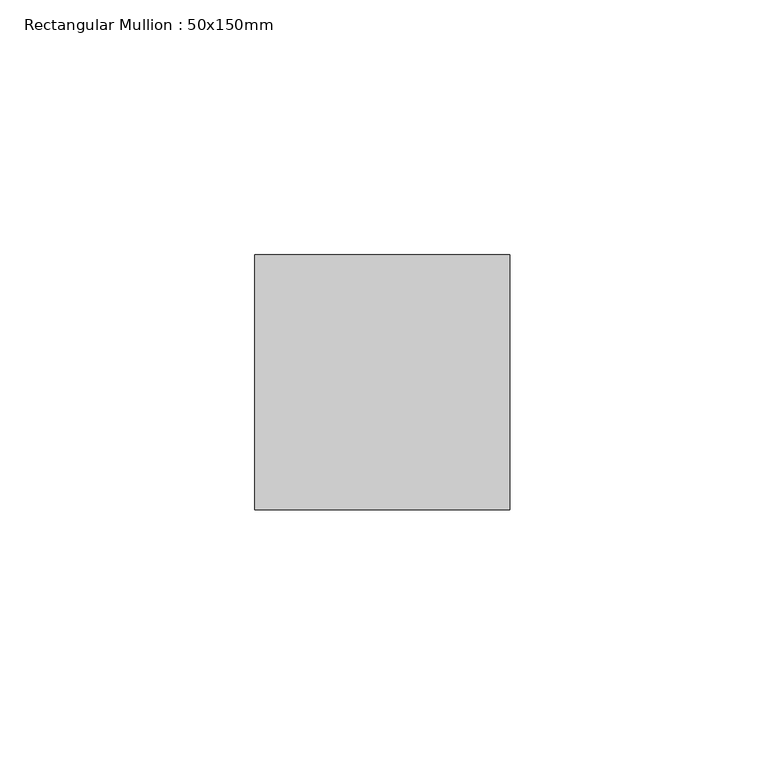
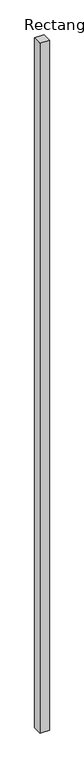
"""IFC4 building model written with IfcOpenShell, lengths in millimetres: member geometry, Rectangular Mullion : 50x150mm."""

from ifc_helpers import new_model, si_unit, frame, origin, place, context, project, spatial, polyline, outline, extrude, source, transform, mapped, element, save


def rectangular_mullion_50x150mm_f4ae37c2(model_context):
    return source(origin(), model_context, "Body", "SweptSolid", [
        extrude(outline(polyline([(0.0, 25.0), (0.0, -25.0), (-50.0, -25.0), (-50.0, 25.0), (0.0, 25.0)])), frame((0.0, 0.0, -3920.0), z_axis=(0.0, 0.0, 1.0), x_axis=(1.0, 0.0, 0.0)), (0.0, 0.0, 1.0), 3920.0),
    ])


if __name__ == "__main__":
    model = new_model("IFC4")
    model_context = context("Model", 3, world=origin())
    ifc_project = project(units=[si_unit("LENGTHUNIT", "METRE", prefix="MILLI")], contexts=[model_context])
    site = spatial("IfcSite", under=ifc_project)
    building = spatial("IfcBuilding", under=site)
    placement = place(None, origin())
    rectangular_mullion_50x150mm_shape = rectangular_mullion_50x150mm_f4ae37c2(model_context)
    element("IfcMember", 1, ObjectType="Rectangular Mullion : 50x150mm", at=placement, inside=building, context=model_context, shape_type="MappedRepresentation", body=[
        mapped(rectangular_mullion_50x150mm_shape, transform((0.0, 0.0, 0.0), x_axis=(1.0, 0.0, 0.0), y_axis=(0.0, 1.0, 0.0), z_axis=(0.0, 0.0, 1.0))),
    ])
    save(model, "model.ifc")
